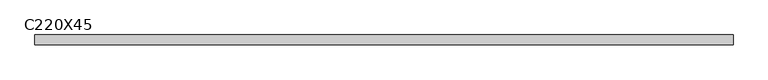
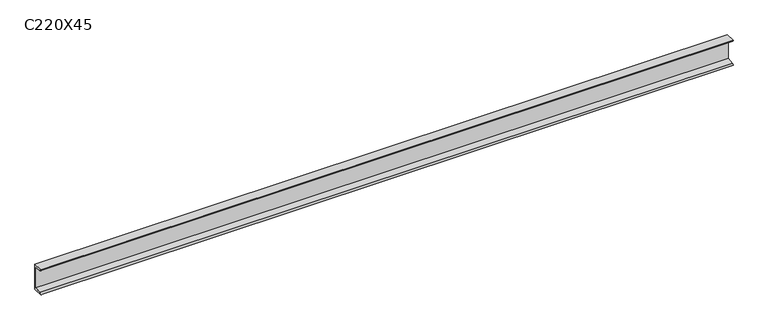
"""IFC4 building model written with IfcOpenShell, lengths in millimetres: beam geometry, C220X45."""

from ifc_helpers import new_model, si_unit, point, frame, frame_2d, origin, place, context, project, spatial, polyline, circle_curve, trimmed, segment, composite_curve, outline, extrude, source, transform, mapped, element, save


def c220x45_bf3a0dad(model_context):
    return source(origin(), model_context, "Body", "SweptSolid", [
        extrude(outline(composite_curve([segment(polyline([(17.0, 110.0), (17.0, -110.0), (-64.0, -110.0)]), True, "CONTINUOUS"), segment(trimmed(circle_curve(frame_2d((-51.0, -110.0)), 13.0), [point((-64.0, -110.0))], [point((-51.0, -97.0))], False, "CARTESIAN"), True, "CONTINUOUS"), segment(polyline([(-51.0, -97.0), (4.0, -88.2888558), (4.0, 88.2888558), (-51.0, 97.0)]), True, "CONTINUOUS"), segment(trimmed(circle_curve(frame_2d((-51.0, 110.0)), 13.0), [point((-51.0, 97.0))], [point((-64.0, 110.0))], False, "CARTESIAN"), True, "CONTINUOUS"), segment(polyline([(-64.0, 110.0), (17.0, 110.0)]), True, "CONTINUOUS")], self_intersect=False)), frame((-2883.0, 0.0, 0.0), z_axis=(1.0, 0.0, 0.0), x_axis=(0.0, 1.0, 0.0)), (0.0, 0.0, 1.0), 5766.0),
    ])


if __name__ == "__main__":
    model = new_model("IFC4")
    model_context = context("Model", 3, world=origin())
    ifc_project = project(units=[si_unit("LENGTHUNIT", "METRE", prefix="MILLI")], contexts=[model_context])
    site = spatial("IfcSite", under=ifc_project)
    building = spatial("IfcBuilding", under=site)
    placement = place(None, origin())
    c220x45_shape = c220x45_bf3a0dad(model_context)
    element("IfcBeam", 1, ObjectType="C220X45", at=placement, inside=building, context=model_context, shape_type="MappedRepresentation", body=[
        mapped(c220x45_shape, transform((0.0, 0.0, 0.0), x_axis=(1.0, 0.0, 0.0), y_axis=(0.0, 1.0, 0.0), z_axis=(0.0, 0.0, 1.0))),
    ])
    save(model, "model.ifc")
